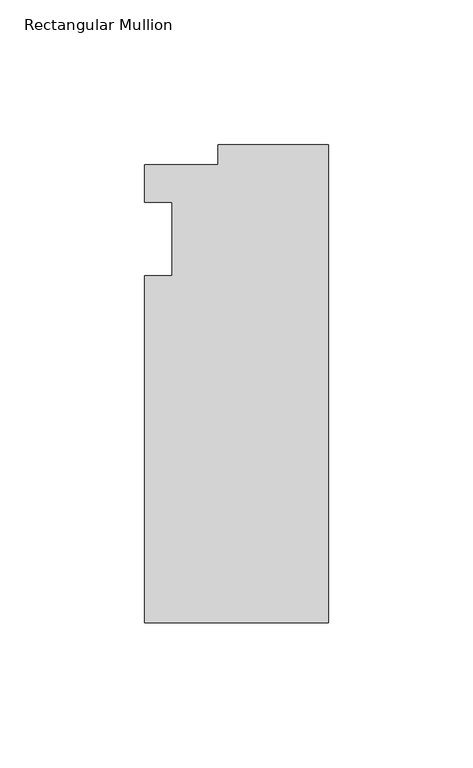
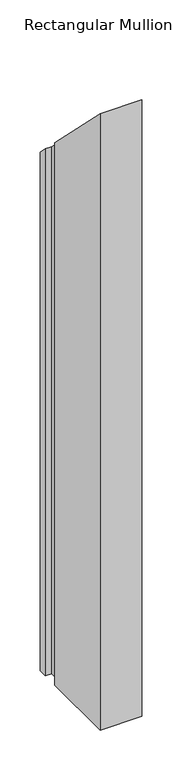
"""IFC4 building model written with IfcOpenShell, lengths in millimetres: member geometry, Rectangular Mullion."""

from ifc_helpers import new_model, si_unit, origin, place, context, project, spatial, faceted_brep, source, transform, mapped, element, save


def rectangular_mullion_b3b11a7d(model_context):
    return source(origin(), model_context, "Body", "Brep", [
        faceted_brep([(-38.1, 32.54375, -863.6), (0.0, 32.54375, -863.6), (0.0, -132.55625, -863.6), (-63.5, -132.55625, -863.6), (-63.5, -12.7, -863.6), (-53.975, -12.7, -863.6), (-53.975, 12.7, -863.6), (-63.5, 12.7, -863.6), (-63.5, 25.58415, -863.6), (-38.1, 25.58415, -863.6), (-38.1, 25.58415, -25.58415), (-38.1, 32.54375, -32.54375), (-63.5, 25.58415, -25.58415), (-63.5, 12.7, -12.7), (-53.975, 12.7, -12.7), (-53.975, -12.7, 12.7), (-63.5, -12.7, 12.7), (-63.5, -132.55625, 132.55625), (0.0, -132.55625, 132.55625), (0.0, 32.54375, -32.54375)], [[[0, 1, 2, 3, 4, 5, 6, 7, 8, 9]], [[10, 11, 0, 9]], [[12, 10, 9, 8]], [[13, 12, 8, 7]], [[14, 13, 7, 6]], [[15, 14, 6, 5]], [[16, 15, 5, 4]], [[17, 16, 4, 3]], [[18, 17, 3, 2]], [[19, 18, 2, 1]], [[11, 19, 1, 0]], [[11, 10, 12, 13, 14, 15, 16, 17, 18, 19]]]),
    ])


if __name__ == "__main__":
    model = new_model("IFC4")
    model_context = context("Model", 3, world=origin())
    ifc_project = project(units=[si_unit("LENGTHUNIT", "METRE", prefix="MILLI")], contexts=[model_context])
    site = spatial("IfcSite", under=ifc_project)
    building = spatial("IfcBuilding", under=site)
    placement = place(None, origin())
    rectangular_mullion_shape = rectangular_mullion_b3b11a7d(model_context)
    element("IfcMember", 1, ObjectType="Rectangular Mullion", at=placement, inside=building, context=model_context, shape_type="MappedRepresentation", body=[
        mapped(rectangular_mullion_shape, transform((0.0, 0.0, 0.0), x_axis=(1.0, 0.0, 0.0), y_axis=(0.0, 1.0, 0.0), z_axis=(0.0, 0.0, 1.0))),
    ])
    save(model, "model.ifc")
